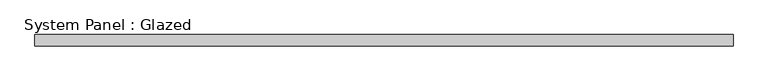
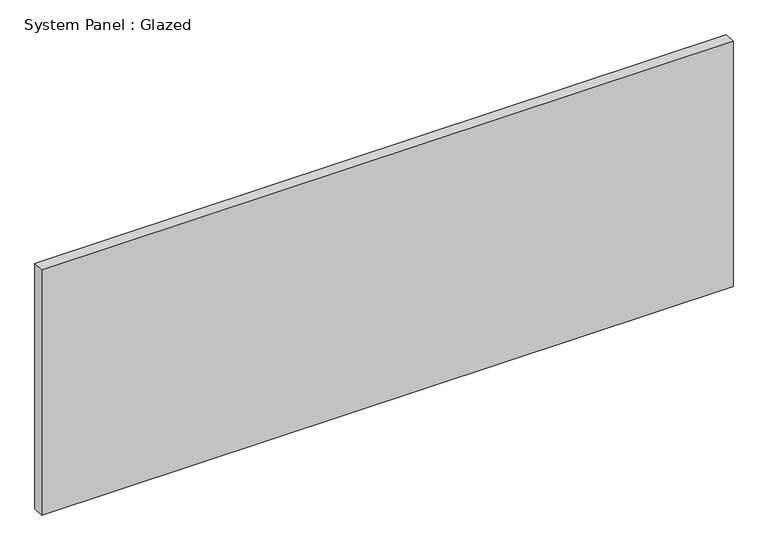
"""IFC4 building model written with IfcOpenShell, lengths in millimetres: plate geometry, System Panel : Glazed."""

from ifc_helpers import new_model, si_unit, origin, origin_with_axes, place, context, project, spatial, polyline, outline, extrude, source, transform, mapped, element, save


def system_panel_glazed_32826ffd(model_context):
    return source(origin(), model_context, "Body", "SweptSolid", [
        extrude(outline(polyline([(756.7501169, 24.5), (-756.7501169, 24.5), (-756.7501169, 49.5), (756.7501169, 49.5), (756.7501169, 24.5)])), origin_with_axes(), (0.0, 0.0, 1.0), 567.0666667),
    ])


if __name__ == "__main__":
    model = new_model("IFC4")
    model_context = context("Model", 3, world=origin())
    ifc_project = project(units=[si_unit("LENGTHUNIT", "METRE", prefix="MILLI")], contexts=[model_context])
    site = spatial("IfcSite", under=ifc_project)
    building = spatial("IfcBuilding", under=site)
    placement = place(None, origin())
    system_panel_glazed_shape = system_panel_glazed_32826ffd(model_context)
    element("IfcPlate", 1, ObjectType="System Panel : Glazed", at=placement, inside=building, context=model_context, shape_type="MappedRepresentation", body=[
        mapped(system_panel_glazed_shape, transform((0.0, 0.0, 0.0), x_axis=(1.0, 0.0, 0.0), y_axis=(0.0, 1.0, 0.0), z_axis=(0.0, 0.0, 1.0))),
    ])
    save(model, "model.ifc")
